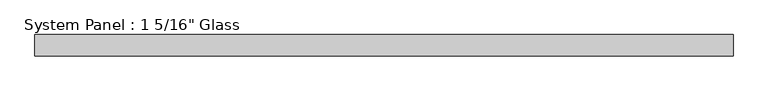
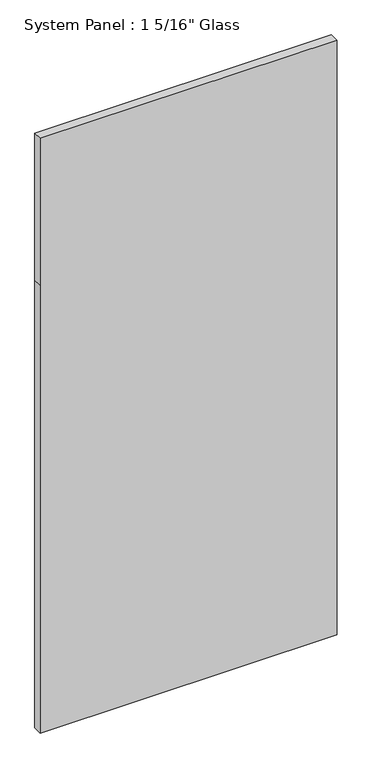
"""IFC4 building model written with IfcOpenShell, lengths in millimetres: plate geometry."""

from ifc_helpers import new_model, si_unit, frame, origin, place, context, project, spatial, polyline, outline, extrude, source, transform, mapped, element, save


def plate_71b7380a(model_context):
    return source(origin(), model_context, "Body", "SweptSolid", [
        extrude(outline(polyline([(0.0, -546.1), (0.0, 546.1), (1739.9, 546.1), (2311.4, 546.1), (2311.4, -546.1), (1739.9, -546.1), (0.0, -546.1)])), frame((0.0, -16.66875, 0.0), z_axis=(0.0, 1.0, 0.0), x_axis=(0.0, 0.0, 1.0)), (0.0, 0.0, 1.0), 33.3375),
    ])


if __name__ == "__main__":
    model = new_model("IFC4")
    model_context = context("Model", 3, world=origin())
    ifc_project = project(units=[si_unit("LENGTHUNIT", "METRE", prefix="MILLI")], contexts=[model_context])
    site = spatial("IfcSite", under=ifc_project)
    building = spatial("IfcBuilding", under=site)
    placement = place(None, origin())
    plate_shape = plate_71b7380a(model_context)
    element("IfcPlate", 1, ObjectType="System Panel : 1 5/16\" Glass", at=placement, inside=building, context=model_context, shape_type="MappedRepresentation", body=[
        mapped(plate_shape, transform((0.0, 0.0, 0.0), x_axis=(1.0, 0.0, 0.0), y_axis=(0.0, 1.0, 0.0), z_axis=(0.0, 0.0, 1.0))),
    ])
    save(model, "model.ifc")
